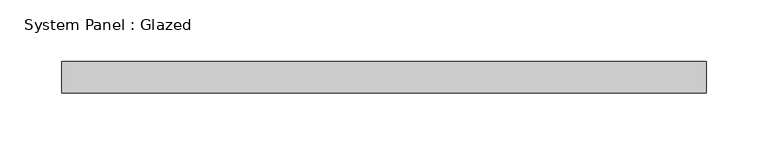
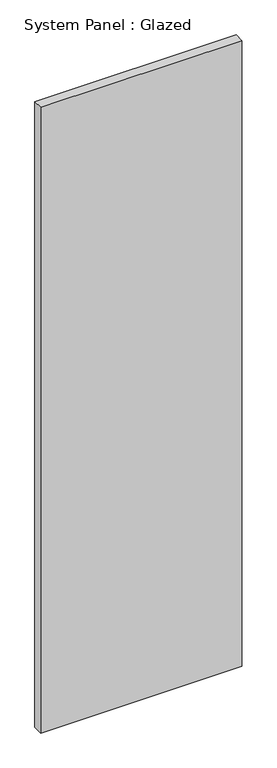
"""IFC4 building model written with IfcOpenShell, lengths in millimetres: plate geometry, System Panel : Glazed."""

from ifc_helpers import new_model, si_unit, origin, origin_with_axes, place, context, project, spatial, polyline, outline, extrude, source, transform, mapped, element, save


def system_panel_glazed_b01e5776(model_context):
    return source(origin(), model_context, "Body", "SweptSolid", [
        extrude(outline(polyline([(260.746875, -44.45), (-260.746875, -44.45), (-260.746875, -19.05), (260.746875, -19.05), (260.746875, -44.45)])), origin_with_axes(), (0.0, 0.0, 1.0), 1714.5),
    ])


if __name__ == "__main__":
    model = new_model("IFC4")
    model_context = context("Model", 3, world=origin())
    ifc_project = project(units=[si_unit("LENGTHUNIT", "METRE", prefix="MILLI")], contexts=[model_context])
    site = spatial("IfcSite", under=ifc_project)
    building = spatial("IfcBuilding", under=site)
    placement = place(None, origin())
    system_panel_glazed_shape = system_panel_glazed_b01e5776(model_context)
    element("IfcPlate", 1, ObjectType="System Panel : Glazed", at=placement, inside=building, context=model_context, shape_type="MappedRepresentation", body=[
        mapped(system_panel_glazed_shape, transform((0.0, 0.0, 0.0), x_axis=(1.0, 0.0, 0.0), y_axis=(0.0, 1.0, 0.0), z_axis=(0.0, 0.0, 1.0))),
    ])
    save(model, "model.ifc")
